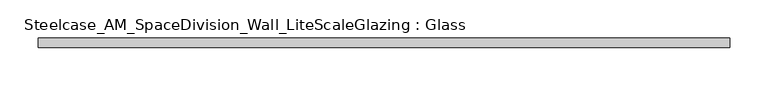
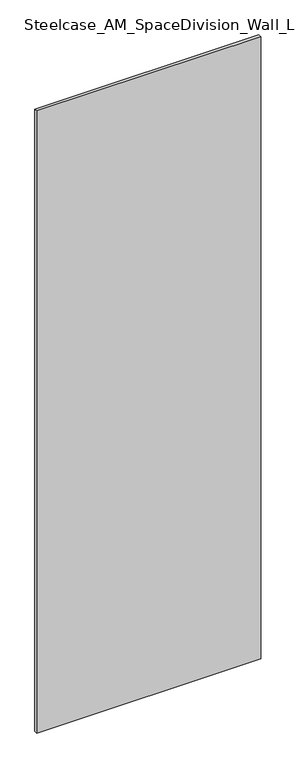
"""IFC4 building model written with IfcOpenShell, lengths in millimetres: plate geometry, Steelcase_AM_SpaceDivision_Wall_LiteScaleGlazing : Glass."""

from ifc_helpers import new_model, si_unit, origin, origin_with_axes, place, context, project, spatial, polyline, outline, extrude, source, transform, mapped, element, save


def steelcase_am_spacedivision_wall_litescaleglazing_glass_f6715bad(model_context):
    return source(origin(), model_context, "Body", "SweptSolid", [
        extrude(outline(polyline([(-454.1021499, -6.349956), (-454.1021499, 6.3502015), (454.1021499, 6.3502015), (454.1021499, -6.349956), (-454.1021499, -6.349956)])), origin_with_axes(), (0.0, 0.0, 1.0), 2665.984),
    ])


if __name__ == "__main__":
    model = new_model("IFC4")
    model_context = context("Model", 3, world=origin())
    ifc_project = project(units=[si_unit("LENGTHUNIT", "METRE", prefix="MILLI")], contexts=[model_context])
    site = spatial("IfcSite", under=ifc_project)
    building = spatial("IfcBuilding", under=site)
    placement = place(None, origin())
    steelcase_am_spacedivision_wall_litescaleglazing_glass_shape = steelcase_am_spacedivision_wall_litescaleglazing_glass_f6715bad(model_context)
    element("IfcPlate", 1, ObjectType="Steelcase_AM_SpaceDivision_Wall_LiteScaleGlazing : Glass", at=placement, inside=building, context=model_context, shape_type="MappedRepresentation", body=[
        mapped(steelcase_am_spacedivision_wall_litescaleglazing_glass_shape, transform((0.0, 0.0, 0.0), x_axis=(1.0, 0.0, 0.0), y_axis=(0.0, 1.0, 0.0), z_axis=(0.0, 0.0, 1.0))),
    ])
    save(model, "model.ifc")
